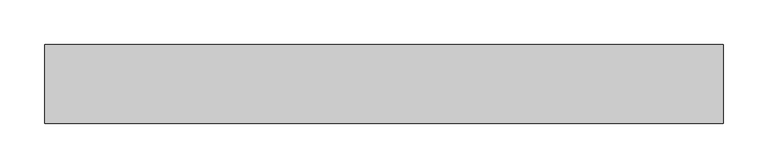
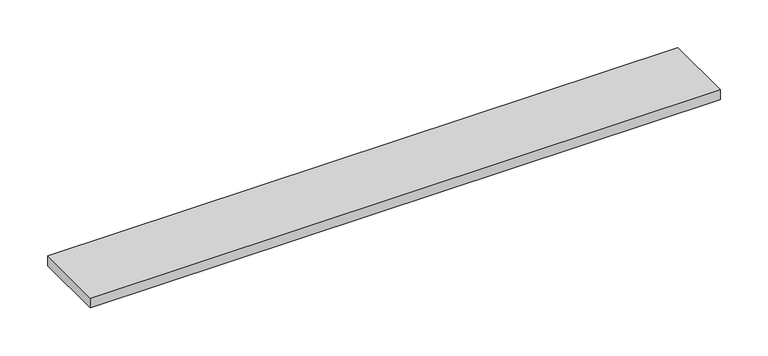
"""IFC4 building model written with IfcOpenShell, lengths in millimetres: furniture geometry."""

from ifc_helpers import new_model, si_unit, frame, origin, place, context, project, spatial, polyline, outline, extrude, source, transform, mapped, element, save


def furniture_5d9d3671(model_context):
    return source(origin(), model_context, "Body", "SweptSolid", [
        extrude(outline(polyline([(401.21205, 38.735), (401.21205, -50.165), (-360.78795, -50.165), (-360.78795, 38.735), (401.21205, 38.735)])), frame((0.0, 0.0, 1168.4), z_axis=(0.0, 0.0, 1.0), x_axis=(1.0, 0.0, 0.0)), (0.0, 0.0, 1.0), 12.7),
    ])


if __name__ == "__main__":
    model = new_model("IFC4")
    model_context = context("Model", 3, world=origin())
    ifc_project = project(units=[si_unit("LENGTHUNIT", "METRE", prefix="MILLI")], contexts=[model_context])
    site = spatial("IfcSite", under=ifc_project)
    building = spatial("IfcBuilding", under=site)
    placement = place(None, origin())
    furniture_shape = furniture_5d9d3671(model_context)
    element("IfcFurniture", 1, at=placement, inside=building, context=model_context, shape_type="MappedRepresentation", body=[
        mapped(furniture_shape, transform((0.0, 0.0, 0.0), x_axis=(1.0, 0.0, 0.0), y_axis=(0.0, 1.0, 0.0), z_axis=(0.0, 0.0, 1.0))),
    ])
    save(model, "model.ifc")
